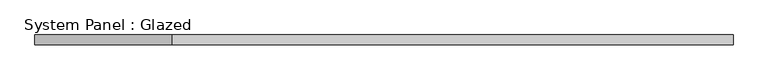
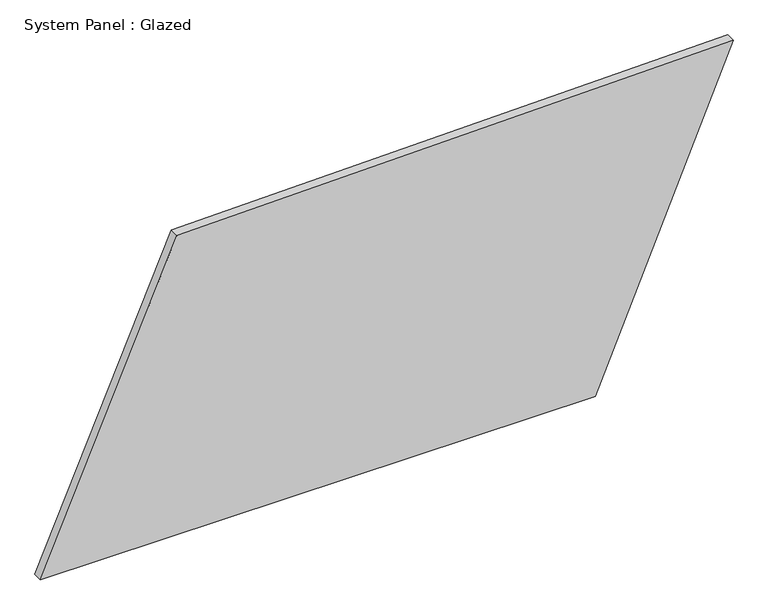
"""IFC4 building model written with IfcOpenShell, lengths in millimetres: plate geometry, System Panel : Glazed."""

from ifc_helpers import new_model, si_unit, frame, origin, place, context, project, spatial, polyline, outline, extrude, source, transform, mapped, element, save


def system_panel_glazed_d993a171(model_context):
    return source(origin(), model_context, "Body", "SweptSolid", [
        extrude(outline(polyline([(0.0, -897.7913242), (0.0, 540.4521026), (851.3739241, 897.7913242), (820.7194565, -544.4058752), (0.0, -897.7913242)])), frame((0.0, -49.5, 0.0), z_axis=(0.0, 1.0, 0.0), x_axis=(0.0, 0.0, 1.0)), (0.0, 0.0, 1.0), 25.0),
    ])


if __name__ == "__main__":
    model = new_model("IFC4")
    model_context = context("Model", 3, world=origin())
    ifc_project = project(units=[si_unit("LENGTHUNIT", "METRE", prefix="MILLI")], contexts=[model_context])
    site = spatial("IfcSite", under=ifc_project)
    building = spatial("IfcBuilding", under=site)
    placement = place(None, origin())
    system_panel_glazed_shape = system_panel_glazed_d993a171(model_context)
    element("IfcPlate", 1, ObjectType="System Panel : Glazed", at=placement, inside=building, context=model_context, shape_type="MappedRepresentation", body=[
        mapped(system_panel_glazed_shape, transform((0.0, 0.0, 0.0), x_axis=(1.0, 0.0, 0.0), y_axis=(0.0, 1.0, 0.0), z_axis=(0.0, 0.0, 1.0))),
    ])
    save(model, "model.ifc")
